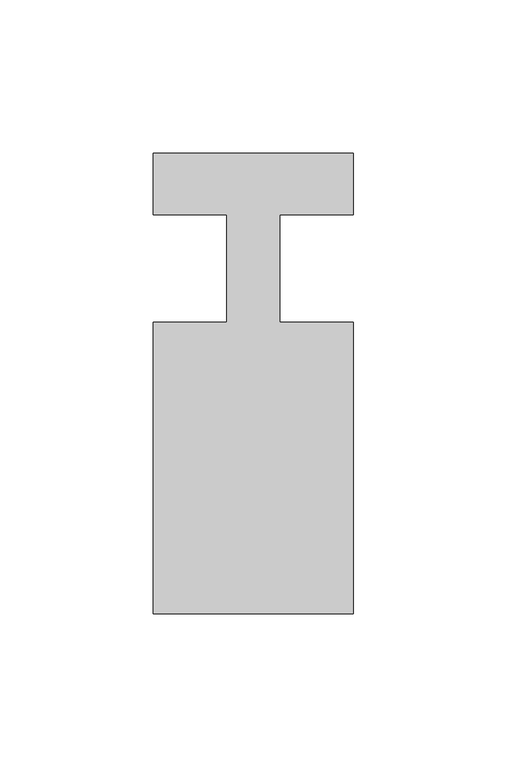
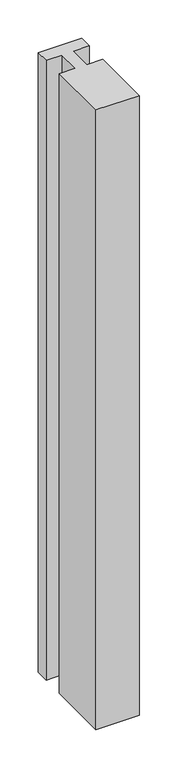
"""IFC4 building model written with IfcOpenShell, lengths in millimetres: member geometry."""

from ifc_helpers import new_model, si_unit, frame, origin, place, context, project, spatial, polyline, outline, extrude, source, transform, mapped, element, save


def member_b7eda1cf(model_context):
    return source(origin(), model_context, "Body", "SweptSolid", [
        extrude(outline(polyline([(0.0, 37.0), (0.0, 17.0), (-23.8125, 17.0), (-23.8125, -18.0), (0.0, -18.0), (0.0, -113.0), (-65.0, -113.0), (-65.0, -18.0), (-41.1875, -18.0), (-41.1875, 17.0), (-65.0, 17.0), (-65.0, 37.0), (0.0, 37.0)])), frame((0.0, 0.0, -985.8333333), z_axis=(0.0, 0.0, 1.0), x_axis=(1.0, 0.0, 0.0)), (0.0, 0.0, 1.0), 985.8333333),
    ])


if __name__ == "__main__":
    model = new_model("IFC4")
    model_context = context("Model", 3, world=origin())
    ifc_project = project(units=[si_unit("LENGTHUNIT", "METRE", prefix="MILLI")], contexts=[model_context])
    site = spatial("IfcSite", under=ifc_project)
    building = spatial("IfcBuilding", under=site)
    placement = place(None, origin())
    member_shape = member_b7eda1cf(model_context)
    element("IfcMember", 1, at=placement, inside=building, context=model_context, shape_type="MappedRepresentation", body=[
        mapped(member_shape, transform((0.0, 0.0, 0.0), x_axis=(1.0, 0.0, 0.0), y_axis=(0.0, 1.0, 0.0), z_axis=(0.0, 0.0, 1.0))),
    ])
    save(model, "model.ifc")
